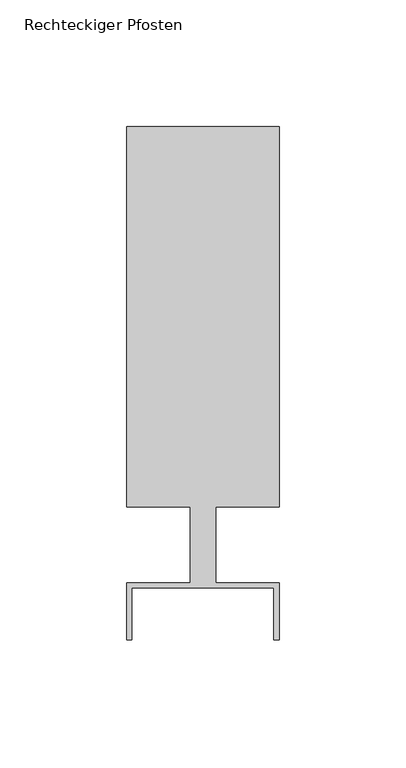
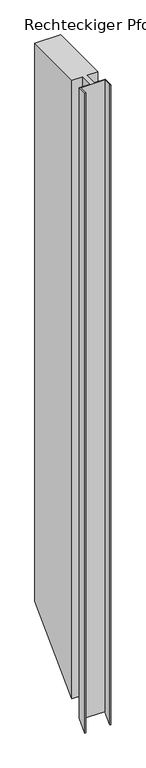
"""IFC4 building model written with IfcOpenShell, lengths in millimetres: member geometry, Rechteckiger Pfosten."""

from ifc_helpers import new_model, si_unit, origin, place, context, project, spatial, faceted_brep, source, transform, mapped, element, save


def rechteckiger_pfosten_64efc83c(model_context):
    return source(origin(), model_context, "Body", "Brep", [
        faceted_brep([(28.0, -37.5, 0.0), (30.0, -37.5, 0.0), (30.0, -15.0, 0.0), (5.0, -15.0, 0.0), (5.0, 15.0, 0.0), (30.0, 15.0, 0.0), (30.0, 165.0, 0.0), (-30.0, 165.0, 0.0), (-30.0, 15.0, 0.0), (-5.0, 15.0, 0.0), (-5.0, -15.0, 0.0), (-30.0, -15.0, 0.0), (-30.0, -37.5, 0.0), (-28.0, -37.5, 0.0), (-28.0, -17.0, 0.0), (28.0, -17.0, 0.0), (28.0, -37.5, -1581.5472594), (30.0, -37.5, -1581.5472594), (30.0, -15.0, -1559.0472594), (5.0, -15.0, -1559.0472594), (5.0, 15.0, -1529.0472594), (30.0, 15.0, -1529.0472594), (30.0, 165.0, -1379.0472594), (-30.0, 165.0, -1379.0472594), (-30.0, 15.0, -1529.0472594), (-5.0, 15.0, -1529.0472594), (-5.0, -15.0, -1559.0472594), (-30.0, -15.0, -1559.0472594), (-30.0, -37.5, -1581.5472594), (-28.0, -37.5, -1581.5472594), (-28.0, -17.0, -1561.0472594), (28.0, -17.0, -1561.0472594)], [[[0, 1, 2, 3, 4, 5, 6, 7, 8, 9, 10, 11, 12, 13, 14, 15]], [[1, 0, 16, 17]], [[2, 1, 17, 18]], [[3, 2, 18, 19]], [[4, 3, 19, 20]], [[5, 4, 20, 21]], [[6, 5, 21, 22]], [[7, 6, 22, 23]], [[8, 7, 23, 24]], [[9, 8, 24, 25]], [[10, 9, 25, 26]], [[11, 10, 26, 27]], [[12, 11, 27, 28]], [[13, 12, 28, 29]], [[14, 13, 29, 30]], [[15, 14, 30, 31]], [[0, 15, 31, 16]], [[16, 31, 30, 29, 28, 27, 26, 25, 24, 23, 22, 21, 20, 19, 18, 17]]]),
    ])


if __name__ == "__main__":
    model = new_model("IFC4")
    model_context = context("Model", 3, world=origin())
    ifc_project = project(units=[si_unit("LENGTHUNIT", "METRE", prefix="MILLI")], contexts=[model_context])
    site = spatial("IfcSite", under=ifc_project)
    building = spatial("IfcBuilding", under=site)
    placement = place(None, origin())
    rechteckiger_pfosten_shape = rechteckiger_pfosten_64efc83c(model_context)
    element("IfcMember", 1, ObjectType="Rechteckiger Pfosten", at=placement, inside=building, context=model_context, shape_type="MappedRepresentation", body=[
        mapped(rechteckiger_pfosten_shape, transform((0.0, 0.0, 0.0), x_axis=(1.0, 0.0, 0.0), y_axis=(0.0, 1.0, 0.0), z_axis=(0.0, 0.0, 1.0))),
    ])
    save(model, "model.ifc")
